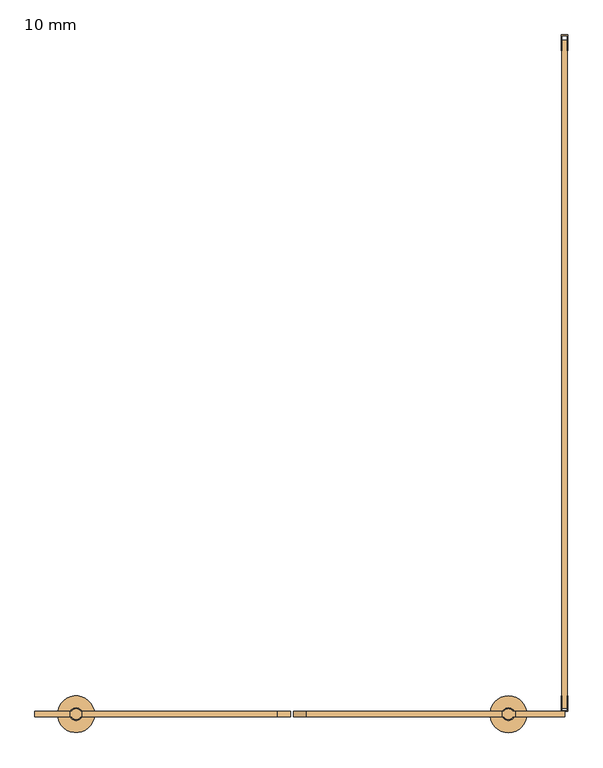
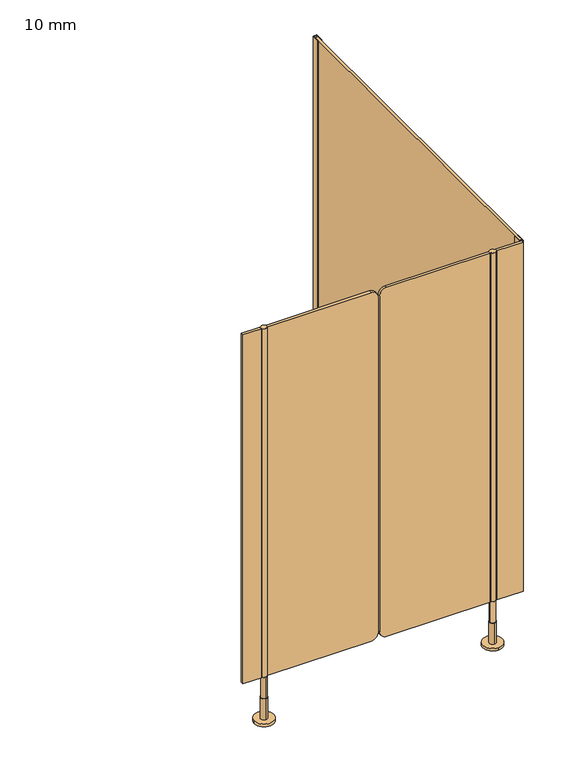
"""IFC4 building model written with IfcOpenShell, lengths in millimetres: door geometry, 10 mm."""

from ifc_helpers import new_model, si_unit, point, frame, frame_2d, origin, place, context, project, spatial, polyline, circle_curve, trimmed, segment, composite_curve, outline, extrude, source, transform, mapped, element, save
from ifc_brep_helpers import plane_surface, cylinder_surface, advanced_brep


def door_10_mm_7706ae36(model_context):
    return source(origin(), model_context, "Body", "SolidModel", [
        advanced_brep(
        [(408.0, -1295.0, 170.0), (388.0, -1295.0, 170.0), (388.0, -1295.0, 90.0), (408.0, -1295.0, 90.0), (398.0, -1283.0, 90.0), (398.0, -1307.0, 90.0), (398.0, -1283.0, 10.0), (398.0, -1307.0, 10.0), (398.0, -1260.0, 10.0), (398.0, -1330.0, 10.0), (398.0, -1260.0, 0.0), (398.0, -1330.0, 0.0)],
        [
            (0, 1, circle_curve(frame((398.0, -1295.0, 170.0), z_axis=(0.0, 0.0, 1.0), x_axis=(-1.0, 0.0, 0.0)), 10.0)),
            (1, 0, circle_curve(frame((398.0, -1295.0, 170.0), z_axis=(0.0, 0.0, 1.0), x_axis=(-1.0, 0.0, 0.0)), 10.0)),
            (1, 2),
            (2, 3, circle_curve(frame((398.0, -1295.0, 90.0), z_axis=(0.0, 0.0, 1.0), x_axis=(-1.0, 0.0, 0.0)), 10.0)),
            (3, 0),
            (3, 2, circle_curve(frame((398.0, -1295.0, 90.0), z_axis=(0.0, 0.0, 1.0), x_axis=(-1.0, 0.0, 0.0)), 10.0)),
            (4, 5, circle_curve(frame((398.0, -1295.0, 90.0), z_axis=(0.0, 0.0, 1.0), x_axis=(0.0, -1.0, 0.0)), 12.0)),
            (5, 4, circle_curve(frame((398.0, -1295.0, 90.0), z_axis=(0.0, 0.0, 1.0), x_axis=(0.0, -1.0, 0.0)), 12.0)),
            (4, 6),
            (6, 7, circle_curve(frame((398.0, -1295.0, 10.0), z_axis=(0.0, 0.0, 1.0), x_axis=(0.0, -1.0, 0.0)), 12.0)),
            (7, 5),
            (7, 6, circle_curve(frame((398.0, -1295.0, 10.0), z_axis=(0.0, 0.0, 1.0), x_axis=(0.0, -1.0, 0.0)), 12.0)),
            (8, 9, circle_curve(frame((398.0, -1295.0, 10.0), z_axis=(0.0, 0.0, 1.0), x_axis=(0.0, -1.0, 0.0)), 35.0)),
            (9, 8, circle_curve(frame((398.0, -1295.0, 10.0), z_axis=(0.0, 0.0, 1.0), x_axis=(0.0, -1.0, 0.0)), 35.0)),
            (10, 11, circle_curve(frame((398.0, -1295.0, 0.0), z_axis=(0.0, 0.0, -1.0), x_axis=(0.0, -1.0, 0.0)), 35.0)),
            (11, 10, circle_curve(frame((398.0, -1295.0, 0.0), z_axis=(0.0, 0.0, -1.0), x_axis=(0.0, -1.0, 0.0)), 35.0)),
            (8, 10),
            (11, 9),
        ],
        [
            plane_surface(frame((398.0, -1290.0, 170.0), z_axis=(0.0, 0.0, 1.0), x_axis=(0.0, -1.0, 0.0))),
            cylinder_surface(frame((398.0, -1295.0, 90.0), z_axis=(0.0, 0.0, -1.0), x_axis=(-1.0, 0.0, 0.0)), 10.0),
            plane_surface(frame((398.0, -1290.0, 90.0), z_axis=(0.0, 0.0, 1.0), x_axis=(0.0, -1.0, 0.0))),
            cylinder_surface(frame((398.0, -1295.0, 90.0), z_axis=(0.0, 0.0, 1.0), x_axis=(0.0, -1.0, 0.0)), 12.0),
            plane_surface(frame((398.0, -1290.0, 10.0), z_axis=(0.0, 0.0, 1.0), x_axis=(0.0, -1.0, 0.0))),
            plane_surface(frame((398.0, -1290.0, 0.0), z_axis=(0.0, 0.0, -1.0), x_axis=(0.0, -1.0, 0.0))),
            cylinder_surface(frame((398.0, -1295.0, 10.0), z_axis=(0.0, 0.0, 1.0), x_axis=(0.0, -1.0, 0.0)), 35.0),
        ],
        [
            (0, [[1, 2]]),
            (1, [[-2, 3, 4, 5]]),
            (1, [[-1, -5, 6, -3]]),
            (2, [[7, 8], [-4, -6]]),
            (3, [[-7, 9, 10, 11]]),
            (3, [[-8, -11, 12, -9]]),
            (4, [[13, 14], [-10, -12]]),
            (5, [[15, 16]]),
            (6, [[-13, 17, -16, 18]]),
            (6, [[-14, -18, -15, -17]]),
        ],
    ),
        advanced_brep(
        [(-426.5, -1305.0, 170.0), (-426.5, -1285.0, 170.0), (-426.5, -1285.0, 90.0), (-426.5, -1305.0, 90.0), (-426.5, -1283.0, 90.0), (-426.5, -1307.0, 90.0), (-426.5, -1283.0, 10.0), (-426.5, -1307.0, 10.0), (-391.5, -1295.0, 0.0), (-461.5, -1295.0, 0.0), (-391.5, -1295.0, 10.0), (-461.5, -1295.0, 10.0)],
        [
            (0, 1, circle_curve(frame((-426.5, -1295.0, 170.0), z_axis=(0.0, 0.0, -1.0), x_axis=(0.0, -1.0, 0.0)), 10.0)),
            (1, 2),
            (2, 3, circle_curve(frame((-426.5, -1295.0, 90.0), z_axis=(0.0, 0.0, 1.0), x_axis=(0.0, -1.0, 0.0)), 10.0)),
            (3, 0),
            (1, 0, circle_curve(frame((-426.5, -1295.0, 170.0), z_axis=(0.0, 0.0, -1.0), x_axis=(0.0, -1.0, 0.0)), 10.0)),
            (3, 2, circle_curve(frame((-426.5, -1295.0, 90.0), z_axis=(0.0, 0.0, 1.0), x_axis=(0.0, -1.0, 0.0)), 10.0)),
            (4, 5, circle_curve(frame((-426.5, -1295.0, 90.0), z_axis=(0.0, 0.0, 1.0), x_axis=(0.0, -1.0, 0.0)), 12.0)),
            (5, 4, circle_curve(frame((-426.5, -1295.0, 90.0), z_axis=(0.0, 0.0, 1.0), x_axis=(0.0, -1.0, 0.0)), 12.0)),
            (4, 6),
            (6, 7, circle_curve(frame((-426.5, -1295.0, 10.0), z_axis=(0.0, 0.0, 1.0), x_axis=(0.0, -1.0, 0.0)), 12.0)),
            (7, 5),
            (7, 6, circle_curve(frame((-426.5, -1295.0, 10.0), z_axis=(0.0, 0.0, 1.0), x_axis=(0.0, -1.0, 0.0)), 12.0)),
            (8, 9, circle_curve(frame((-426.5, -1295.0, 0.0), z_axis=(0.0, 0.0, -1.0), x_axis=(-1.0, 0.0, 0.0)), 35.0)),
            (9, 8, circle_curve(frame((-426.5, -1295.0, 0.0), z_axis=(0.0, 0.0, -1.0), x_axis=(-1.0, 0.0, 0.0)), 35.0)),
            (10, 11, circle_curve(frame((-426.5, -1295.0, 10.0), z_axis=(0.0, 0.0, 1.0), x_axis=(-1.0, 0.0, 0.0)), 35.0)),
            (11, 10, circle_curve(frame((-426.5, -1295.0, 10.0), z_axis=(0.0, 0.0, 1.0), x_axis=(-1.0, 0.0, 0.0)), 35.0)),
            (8, 10),
            (11, 9),
        ],
        [
            cylinder_surface(frame((-426.5, -1295.0, 170.0), z_axis=(0.0, 0.0, 1.0), x_axis=(0.0, -1.0, 0.0)), 10.0),
            plane_surface(frame((-426.5, -1290.0, 90.0), z_axis=(0.0, 0.0, 1.0), x_axis=(0.0, -1.0, 0.0))),
            cylinder_surface(frame((-426.5, -1295.0, 90.0), z_axis=(0.0, 0.0, 1.0), x_axis=(0.0, -1.0, 0.0)), 12.0),
            plane_surface(frame((-426.5, -1290.0, 0.0), z_axis=(0.0, 0.0, -1.0), x_axis=(0.0, -1.0, 0.0))),
            plane_surface(frame((-426.5, -1290.0, 10.0), z_axis=(0.0, 0.0, 1.0), x_axis=(0.0, -1.0, 0.0))),
            cylinder_surface(frame((-426.5, -1295.0, 0.0), z_axis=(0.0, 0.0, -1.0), x_axis=(-1.0, 0.0, 0.0)), 35.0),
            plane_surface(frame((-426.5, -1290.0, 170.0), z_axis=(0.0, 0.0, 1.0), x_axis=(0.0, -1.0, 0.0))),
        ],
        [
            (0, [[1, 2, 3, 4]]),
            (0, [[5, -4, 6, -2]]),
            (1, [[7, 8], [-3, -6]]),
            (2, [[-7, 9, 10, 11]]),
            (2, [[-8, -11, 12, -9]]),
            (3, [[13, 14]]),
            (4, [[15, 16], [-10, -12]]),
            (5, [[-13, 17, -16, 18]]),
            (5, [[-14, -18, -15, -17]]),
            (6, [[-1, -5]]),
        ],
    ),
        extrude(outline(composite_curve([segment(polyline([(170.0, 385.0), (1500.0, 385.0), (1500.0, 13.0002203)]), True, "CONTINUOUS"), segment(trimmed(circle_curve(frame_2d((1475.0, 13.0002203)), 25.0), [point((1500.0, 13.0002203))], [point((1475.0, -11.9997797))], False, "CARTESIAN"), True, "CONTINUOUS"), segment(polyline([(1475.0, -11.9997797), (195.0, -11.9997797)]), True, "CONTINUOUS"), segment(trimmed(circle_curve(frame_2d((195.0, 13.0002203)), 25.0), [point((195.0, -11.9997797))], [point((170.0, 13.0002203))], False, "CARTESIAN"), True, "CONTINUOUS"), segment(polyline([(170.0, 13.0002203), (170.0, 385.0)]), True, "CONTINUOUS")], self_intersect=False)), frame((0.0, -1300.0, 0.0), z_axis=(0.0, 1.0, 0.0), x_axis=(0.0, 0.0, 1.0)), (0.0, 0.0, 1.0), 10.0),
        extrude(outline(composite_curve([segment(polyline([(1500.0, -415.0), (170.0, -415.0), (170.0, -43.0002203)]), True, "CONTINUOUS"), segment(trimmed(circle_curve(frame_2d((195.0, -43.0002203)), 25.0), [point((170.0, -43.0002203))], [point((195.0, -18.0002203))], False, "CARTESIAN"), True, "CONTINUOUS"), segment(polyline([(195.0, -18.0002203), (1475.0, -18.0002203)]), True, "CONTINUOUS"), segment(trimmed(circle_curve(frame_2d((1475.0, -43.0002203)), 25.0), [point((1475.0, -18.0002203))], [point((1500.0, -43.0002203))], False, "CARTESIAN"), True, "CONTINUOUS"), segment(polyline([(1500.0, -43.0002203), (1500.0, -415.0)]), True, "CONTINUOUS")], self_intersect=False)), frame((0.0, -1300.0, 0.0), z_axis=(0.0, 1.0, 0.0), x_axis=(0.0, 0.0, 1.0)), (0.0, 0.0, 1.0), 10.0),
        advanced_brep(
        [(-435.160254, -1290.0, 170.0), (-417.839746, -1290.0, 170.0), (-415.0, -1290.0010631, 170.0), (-415.0, -1299.9989369, 170.0), (-417.8391323, -1299.9989369, 170.0), (-435.1608677, -1299.9989369, 170.0), (-438.0, -1299.9989369, 170.0), (-438.0, -1290.0010631, 170.0), (-417.839746, -1290.0, 1500.0), (-435.160254, -1290.0, 1500.0), (-438.0, -1290.0010631, 1500.0), (-438.0, -1299.9989369, 1500.0), (-435.1608677, -1299.9989369, 1500.0), (-417.8391323, -1299.9989369, 1500.0), (-415.0, -1299.9989369, 1500.0), (-415.0, -1290.0010631, 1500.0)],
        [
            (0, 1, circle_curve(frame((-426.5, -1295.0, 170.0), z_axis=(0.0, 0.0, -1.0), x_axis=(-1.0, 0.0, 0.0)), 10.0)),
            (1, 2),
            (2, 3),
            (3, 4),
            (4, 5, circle_curve(frame((-426.5, -1295.0, 170.0), z_axis=(0.0, 0.0, -1.0), x_axis=(-1.0, 0.0, 0.0)), 10.0)),
            (5, 6),
            (6, 7),
            (7, 0),
            (8, 9, circle_curve(frame((-426.5, -1295.0, 1500.0), z_axis=(0.0, 0.0, 1.0), x_axis=(-1.0, 0.0, 0.0)), 10.0)),
            (9, 10),
            (10, 11),
            (11, 12),
            (12, 13, circle_curve(frame((-426.5, -1295.0, 1500.0), z_axis=(0.0, 0.0, 1.0), x_axis=(-1.0, 0.0, 0.0)), 10.0)),
            (13, 14),
            (14, 15),
            (15, 8),
            (0, 9),
            (8, 1),
            (4, 13),
            (12, 5),
            (7, 10),
            (15, 2),
            (14, 3),
            (11, 6),
        ],
        [
            plane_surface(frame((-420.2598646, -1290.0, 170.0), z_axis=(0.0, 0.0, -1.0), x_axis=(0.0, -1.0, 0.0))),
            plane_surface(frame((-420.2598646, -1290.0, 1500.0), z_axis=(0.0, 0.0, 1.0), x_axis=(0.0, -1.0, 0.0))),
            cylinder_surface(frame((-426.5, -1295.0, 170.0), z_axis=(0.0, 0.0, -1.0), x_axis=(-1.0, 0.0, 0.0)), 10.0),
            plane_surface(frame((-438.0, -1290.0010631, 170.0), z_axis=(0.0, 1.0, 0.0), x_axis=(0.0, 0.0, 1.0))),
            plane_surface(frame((-415.0, -1290.0010631, 170.0), z_axis=(1.0, 0.0, 0.0), x_axis=(0.0, 0.0, 1.0))),
            plane_surface(frame((-415.0, -1299.9989369, 170.0), z_axis=(0.0, -1.0, 0.0), x_axis=(0.0, 0.0, 1.0))),
            plane_surface(frame((-438.0, -1299.9989369, 170.0), z_axis=(-1.0, 0.0, 0.0), x_axis=(0.0, 0.0, 1.0))),
        ],
        [
            (0, [[1, 2, 3, 4, 5, 6, 7, 8]]),
            (1, [[9, 10, 11, 12, 13, 14, 15, 16]]),
            (2, [[-1, 17, -9, 18]]),
            (2, [[-5, 19, -13, 20]]),
            (3, [[21, -10, -17, -8]]),
            (3, [[22, -2, -18, -16]]),
            (4, [[-3, -22, -15, 23]]),
            (5, [[-23, -14, -19, -4]]),
            (5, [[24, -6, -20, -12]]),
            (6, [[-7, -24, -11, -21]]),
        ],
    ),
        extrude(outline(composite_curve([segment(trimmed(circle_curve(frame_2d((398.0, -1295.0)), 10.0), [point((406.6608677, -1299.9989369))], [point((389.3391323, -1299.9989369))], False, "CARTESIAN"), True, "CONTINUOUS"), segment(polyline([(389.3391323, -1299.9989369), (385.0, -1299.9989369), (385.0, -1290.0010631), (389.3391323, -1290.0010631)]), True, "CONTINUOUS"), segment(trimmed(circle_curve(frame_2d((398.0, -1295.0)), 10.0), [point((389.3391323, -1290.0010631))], [point((406.6608677, -1290.0010631))], False, "CARTESIAN"), True, "CONTINUOUS"), segment(polyline([(406.6608677, -1290.0010631), (411.0, -1290.0010631), (411.0, -1299.9989369), (406.6608677, -1299.9989369)]), True, "CONTINUOUS")], self_intersect=False)), frame((0.0, 0.0, 170.0), z_axis=(0.0, 0.0, 1.0), x_axis=(1.0, 0.0, 0.0)), (0.0, 0.0, 1.0), 1330.0),
        extrude(outline(polyline([(498.5, 0.0), (511.5, 0.0), (511.5, -30.0), (510.0, -30.0), (510.0, -1.5), (500.0, -1.5), (500.0, -30.0), (498.5, -30.0), (498.5, 0.0)])), frame((0.0, 0.0, 170.0), z_axis=(0.0, 0.0, 1.0), x_axis=(1.0, 0.0, 0.0)), (0.0, 0.0, 1.0), 1330.0),
        extrude(outline(polyline([(411.0, -1290.0), (505.0, -1290.0), (505.0, -1300.0), (411.0, -1300.0), (411.0, -1290.0)])), frame((0.0, 0.0, 170.0), z_axis=(0.0, 0.0, 1.0), x_axis=(1.0, 0.0, 0.0)), (0.0, 0.0, 1.0), 1330.0),
        extrude(outline(polyline([(-438.0, -1290.0), (-438.0, -1300.0), (-505.0, -1300.0), (-505.0, -1290.0), (-438.0, -1290.0)])), frame((0.0, 0.0, 170.0), z_axis=(0.0, 0.0, 1.0), x_axis=(1.0, 0.0, 0.0)), (0.0, 0.0, 1.0), 1330.0),
        extrude(outline(polyline([(511.5, -1290.0), (498.5, -1290.0), (498.5, -1260.0), (500.0, -1260.0), (500.0, -1288.5), (510.0, -1288.5), (510.0, -1260.0), (511.5, -1260.0), (511.5, -1290.0)])), frame((0.0, 0.0, 170.0), z_axis=(0.0, 0.0, 1.0), x_axis=(1.0, 0.0, 0.0)), (0.0, 0.0, 1.0), 1330.0),
        extrude(outline(polyline([(510.0, -10.0), (510.0, -1284.0), (500.0, -1284.0), (500.0, -10.0), (510.0, -10.0)])), frame((0.0, 0.0, 170.0), z_axis=(0.0, 0.0, 1.0), x_axis=(1.0, 0.0, 0.0)), (0.0, 0.0, 1.0), 1330.0),
    ])


if __name__ == "__main__":
    model = new_model("IFC4")
    model_context = context("Model", 3, world=origin())
    ifc_project = project(units=[si_unit("LENGTHUNIT", "METRE", prefix="MILLI")], contexts=[model_context])
    site = spatial("IfcSite", under=ifc_project)
    building = spatial("IfcBuilding", under=site)
    placement = place(None, origin())
    door_10_mm_shape = door_10_mm_7706ae36(model_context)
    element("IfcDoor", 1, ObjectType="10 mm", at=placement, inside=building, context=model_context, shape_type="MappedRepresentation", body=[
        mapped(door_10_mm_shape, transform((0.0, 0.0, 0.0), x_axis=(1.0, 0.0, 0.0), y_axis=(0.0, 1.0, 0.0), z_axis=(0.0, 0.0, 1.0))),
    ])
    save(model, "model.ifc")
